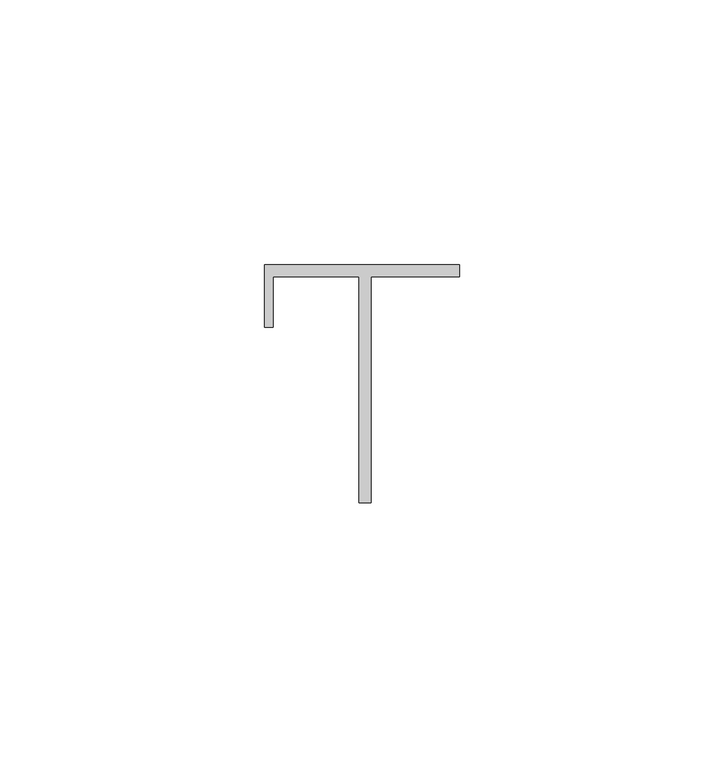
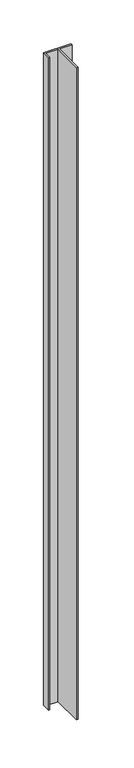
"""IFC4 building model written with IfcOpenShell, lengths in millimetres: proxy geometry."""

from ifc_helpers import new_model, si_unit, frame, origin, place, context, project, spatial, polyline, outline, extrude, source, transform, mapped, element, save


def generic_models_03689835(model_context):
    return source(origin(), model_context, "Body", "SweptSolid", [
        extrude(outline(polyline([(36953.9567367, -24064.4701215), (36953.9567367, -24052.6529904), (36990.8377561, -24052.6529904), (36990.8377561, -24054.9401801), (36974.1603593, -24054.9401801), (36974.1603593, -24097.6343242), (36971.8730724, -24097.6343242), (36971.8730724, -24054.9401801), (36955.557857, -24054.9401801), (36955.557857, -24064.4701215), (36953.9567367, -24064.4701215)])), frame((0.0, 0.0, 1524.0), z_axis=(0.0, 0.0, 1.0), x_axis=(1.0, 0.0, 0.0)), (0.0, 0.0, 1.0), 914.4),
    ])


if __name__ == "__main__":
    model = new_model("IFC4")
    model_context = context("Model", 3, world=origin())
    ifc_project = project(units=[si_unit("LENGTHUNIT", "METRE", prefix="MILLI")], contexts=[model_context])
    site = spatial("IfcSite", under=ifc_project)
    building = spatial("IfcBuilding", under=site)
    placement = place(None, origin())
    generic_models_shape = generic_models_03689835(model_context)
    element("IfcBuildingElementProxy", 1, Name="Generic Models", at=placement, inside=building, context=model_context, shape_type="MappedRepresentation", body=[
        mapped(generic_models_shape, transform((0.0, 0.0, 0.0), x_axis=(1.0, 0.0, 0.0), y_axis=(0.0, 1.0, 0.0), z_axis=(0.0, 0.0, 1.0))),
    ])
    save(model, "model.ifc")
